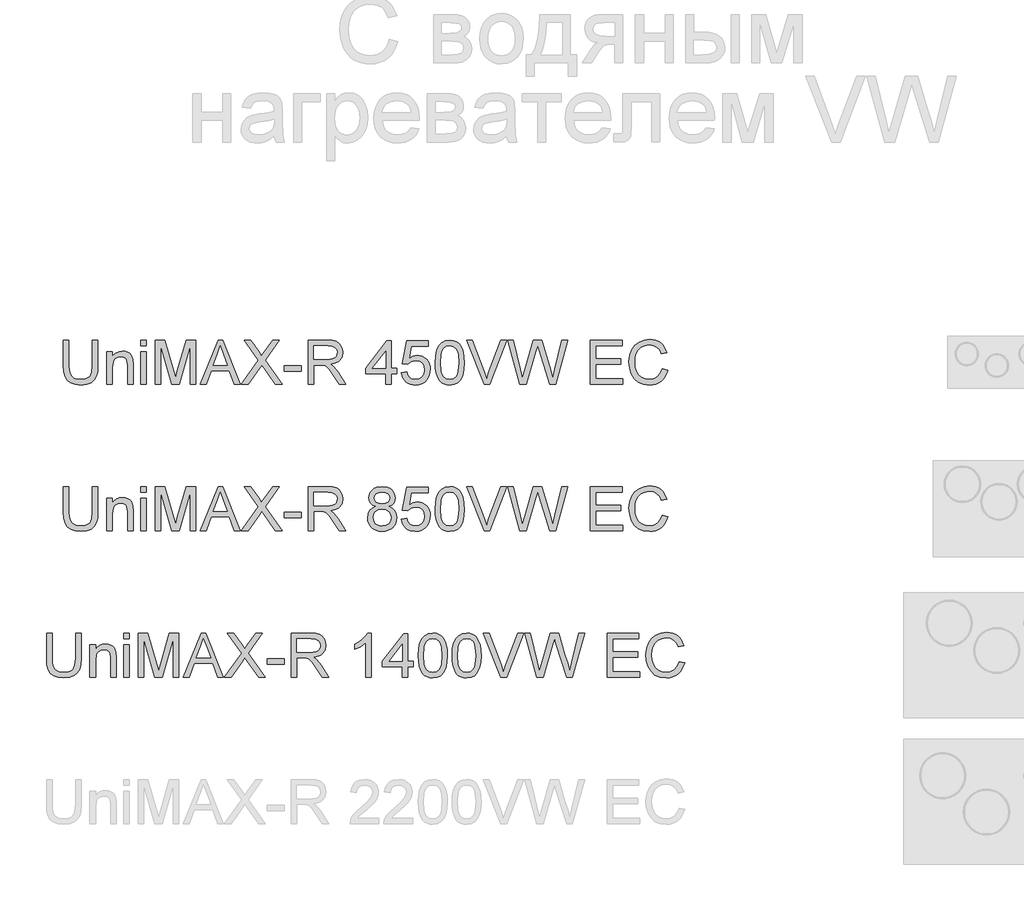
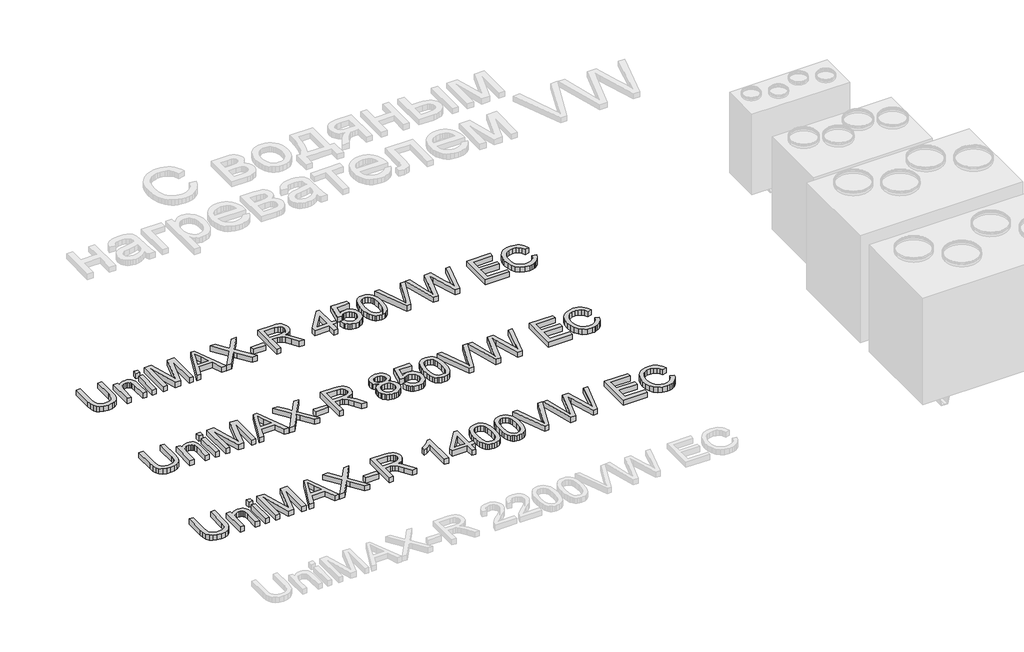
# One storey, part 12 of 74: 3 proxies.
"""IFC4 building model written with IfcOpenShell, lengths in millimetres."""

from ifc_helpers import new_model, si_unit, origin, origin_with_axes, place, context, project, spatial, polyline, outline, extrude, element, save

model = new_model("IFC4")

# Units and contexts
model_context = context("Model", 3, world=origin())
ifc_project = project(units=[si_unit("LENGTHUNIT", "METRE", prefix="MILLI")], contexts=[model_context])

# Site, building, storey
site = spatial("IfcSite", under=ifc_project)
building = spatial("IfcBuilding", under=site)
storey = spatial("IfcBuildingStorey", under=building, Elevation=0.0)

# Proxies
placement = place(None, origin())
element("IfcBuildingElementProxy", 1, Name="Generic Models", at=placement, inside=storey, context=model_context, shape_type="SweptSolid", body=[
    extrude(outline(polyline([(45190.3517423, -34731.9528304), (45228.0228586, -34731.9528304), (45228.0228586, -34905.8138613), (45225.4660787, -34946.5292011), (45217.7957391, -34977.8819441), (45203.4667354, -35002.0701853), (45180.9339632, -35021.2920196), (45150.1422402, -35033.8459926), (45111.0363841, -35038.0306503), (45072.7858537, -35034.3886186), (45042.2056628, -35023.4625233), (45019.2866145, -35005.6294436), (45004.0195117, -34981.2664585), (44995.4386642, -34948.5893403), (44992.5783817, -34905.8138613), (44992.5783817, -34731.9528304), (45030.249498, -34731.9528304), (45030.249498, -34904.4894861), (45032.1073021, -34938.3438267), (45037.6807143, -34961.9158655), (45047.7790751, -34978.2406291), (45063.2117248, -34990.3531438), (45083.3348699, -34997.8579365), (45107.504717, -35000.359534), (45145.8196268, -34995.4115212), (45160.1624261, -34989.2265052), (45171.2954549, -34980.5674827), (45179.6325807, -34968.3905887), (45185.5876705, -34951.6519579), (45190.3517423, -34904.4894861), (45190.3517423, -34731.9528304)])), origin_with_axes(), (0.0, 0.0, 1.0), 50.0),
    extrude(outline(polyline([(45289.2384226, -35033.3217608), (45289.2384226, -34812.0039525), (45326.9095389, -34812.0039525), (45326.9095389, -34842.9060401), (45339.9969409, -34827.3262376), (45355.7146991, -34816.1978072), (45374.0628136, -34809.520749), (45395.0412844, -34807.295063), (45413.6101281, -34809.0884877), (45430.6154733, -34814.4687619), (45444.7973243, -34822.7645009), (45454.895685, -34833.30432), (45466.1896623, -34861.0058343), (45468.176225, -34897.4261518), (45468.176225, -35033.3217608), (45430.5051087, -35033.3217608), (45430.5051087, -34902.5029233), (45426.1641012, -34869.1728146), (45420.1584276, -34859.2491977), (45410.823422, -34851.551267), (45398.8580601, -34846.6124512), (45384.9613177, -34844.9661793), (45362.8975951, -34848.6633933), (45344.0896281, -34859.7550355), (45336.5733391, -34868.8095311), (45331.2045612, -34881.1841617), (45326.9095389, -34915.8938279), (45326.9095389, -35033.3217608), (45289.2384226, -35033.3217608)])), origin_with_axes(), (0.0, 0.0, 1.0), 50.0),
    extrude(outline(polyline([(45519.97401, -35033.3217608), (45519.97401, -34812.0039525), (45557.6451263, -34812.0039525), (45557.6451263, -35033.3217608), (45519.97401, -35033.3217608)])), origin_with_axes(), (0.0, 0.0, 1.0), 50.0),
    extrude(outline(polyline([(45519.97401, -34769.6239467), (45519.97401, -34731.9528304), (45557.6451263, -34731.9528304), (45557.6451263, -34769.6239467), (45519.97401, -34769.6239467)])), origin_with_axes(), (0.0, 0.0, 1.0), 50.0),
    extrude(outline(polyline([(45618.8606903, -35033.3217608), (45618.8606903, -34731.9528304), (45683.6814978, -34731.9528304), (45745.3385202, -34944.3678944), (45757.7729317, -34988.734463), (45771.2374127, -34940.6890744), (45831.8643655, -34731.9528304), (45896.685173, -34731.9528304), (45896.685173, -35033.3217608), (45859.0140567, -35033.3217608), (45859.0140567, -34769.6239467), (45783.3039421, -35033.3217608), (45732.2419212, -35033.3217608), (45656.5318066, -34769.6239467), (45656.5318066, -35033.3217608), (45618.8606903, -35033.3217608)])), origin_with_axes(), (0.0, 0.0, 1.0), 50.0),
    extrude(outline(polyline([(45927.5136842, -35033.3217608), (46047.8110967, -34731.9528304), (46079.8904066, -34731.9528304), (46200.1878191, -35033.3217608), (46160.3829872, -35033.3217608), (46125.875656, -34939.14397), (46001.7522709, -34939.14397), (45967.3185161, -35033.3217608), (45927.5136842, -35033.3217608)]), holes=[polyline([(46015.5846339, -34901.4728537), (46112.1168694, -34901.4728537), (46084.9671782, -34827.3814199), (46063.8507516, -34769.6239467), (46045.0887699, -34820.9066968), (46015.5846339, -34901.4728537)])]), origin_with_axes(), (0.0, 0.0, 1.0), 50.0),
    extrude(outline(polyline([(46207.4718826, -35033.3217608), (46323.6490166, -34869.0992382), (46226.3074407, -34731.9528304), (46271.4833497, -34731.9528304), (46326.297767, -34809.1344729), (46344.7654432, -34839.2272201), (46366.3969045, -34808.6194381), (46420.6227106, -34731.9528304), (46466.4608072, -34731.9528304), (46369.1192312, -34869.5406965), (46485.2963653, -35033.3217608), (46440.1204563, -35033.3217608), (46362.7180845, -34924.1343846), (46346.6048531, -34901.4728537), (46328.872941, -34926.3416766), (46253.3099792, -35033.3217608), (46207.4718826, -35033.3217608)])), origin_with_axes(), (0.0, 0.0, 1.0), 50.0),
    extrude(outline(polyline([(46499.4230339, -34943.8528596), (46499.4230339, -34906.1817433), (46617.1452724, -34906.1817433), (46617.1452724, -34943.8528596), (46499.4230339, -34943.8528596)])), origin_with_axes(), (0.0, 0.0, 1.0), 50.0),
    extrude(outline(polyline([(46664.2341678, -35033.3217608), (46664.2341678, -34731.9528304), (46794.0965121, -34731.9528304), (46828.9993164, -34733.9853784), (46854.3923711, -34740.0830224), (46872.9520177, -34751.3402115), (46887.3545978, -34768.8513945), (46896.597633, -34790.5656292), (46899.6786447, -34814.4319737), (46894.574282, -34844.1200507), (46879.2611939, -34868.7313562), (46867.6614148, -34878.7607391), (46853.279528, -34886.775968), (46816.1694318, -34896.7639642), (46837.5801639, -34912.8771956), (46868.1143695, -34951.6519579), (46918.36705, -35033.3217608), (46874.5890926, -35033.3217608), (46835.3728719, -34970.855398), (46807.0459583, -34929.5054618), (46787.1435424, -34909.9709278), (46769.2276892, -34902.7972289), (46747.3754987, -34901.4728537), (46701.9052841, -34901.4728537), (46701.9052841, -35033.3217608), (46664.2341678, -35033.3217608)]), holes=[polyline([(46701.9052841, -34863.8017374), (46786.2238374, -34863.8017374), (46810.4396697, -34862.4681652), (46829.2292426, -34858.4674485), (46843.3743053, -34851.5328729), (46853.6566071, -34841.3977239), (46859.9197981, -34829.1380564), (46862.0075284, -34815.8299253), (46858.0252058, -34797.4542196), (46846.078238, -34782.6469693), (46825.5228315, -34772.8797023), (46795.7151928, -34769.6239467), (46701.9052841, -34769.6239467), (46701.9052841, -34863.8017374)])]), origin_with_axes(), (0.0, 0.0, 1.0), 50.0),
    extrude(outline(polyline([(47191.6297961, -35033.3217608), (47191.6297961, -34962.6884177), (47055.0719994, -34962.6884177), (47055.0719994, -34925.0173014), (47201.0475751, -34736.6617199), (47229.3009124, -34736.6617199), (47229.3009124, -34925.0173014), (47266.9720287, -34925.0173014), (47266.9720287, -34962.6884177), (47229.3009124, -34962.6884177), (47229.3009124, -35033.3217608), (47191.6297961, -35033.3217608)]), holes=[polyline([(47191.6297961, -34925.0173014), (47191.6297961, -34808.6194381), (47101.4251308, -34925.0173014), (47191.6297961, -34925.0173014)])]), origin_with_axes(), (0.0, 0.0, 1.0), 50.0),
    extrude(outline(polyline([(47299.9342554, -34953.2706387), (47337.6053717, -34948.5617491), (47344.5215532, -34971.1772948), (47356.5880827, -34987.3732996), (47373.7497778, -34997.1129754), (47395.9514562, -35000.359534), (47422.9539946, -34995.8437825), (47443.1875044, -34982.2965281), (47455.8242509, -34961.2812691), (47460.0364997, -34934.3615041), (47456.0909653, -34909.0144346), (47444.2543621, -34889.6270535), (47424.4347197, -34877.3214007), (47396.5400674, -34873.2195165), (47378.2655293, -34874.8565914), (47363.467476, -34879.767816), (47342.3142613, -34896.7639642), (47304.643145, -34892.0550747), (47337.6053717, -34736.6617199), (47483.5809474, -34736.6617199), (47483.5809474, -34774.3328362), (47368.0660009, -34774.3328362), (47351.9527696, -34857.3270143), (47378.8633375, -34840.9930537), (47407.0614924, -34835.5484002), (47425.4073077, -34837.2360588), (47442.2586023, -34842.2990348), (47457.6153764, -34850.7373281), (47471.4776298, -34862.5509386), (47482.9532488, -34877.0178981), (47491.1501195, -34893.416238), (47496.0682419, -34911.7459584), (47497.707616, -34932.0070593), (47491.80311, -34969.6781756), (47484.4224775, -34986.4719887), (47474.089592, -35001.9046384), (47458.4362131, -35017.7097686), (47440.170872, -35028.9991474), (47419.2935688, -35035.7727746), (47395.8043034, -35038.0306503), (47358.8045717, -35032.2273119), (47343.1259009, -35024.9731388), (47329.3280268, -35014.8172964), (47317.8478093, -35002.2656226), (47309.1221083, -34987.823955), (47299.9342554, -34953.2706387)])), origin_with_axes(), (0.0, 0.0, 1.0), 50.0),
    extrude(outline(polyline([(47530.6698428, -34885.0653167), (47533.4381548, -34836.8267901), (47541.7430909, -34798.3555305), (47555.5018775, -34769.0629266), (47574.6317412, -34748.3603673), (47599.2706379, -34736.0547146), (47629.5565231, -34731.9528304), (47652.769877, -34734.3808515), (47673.5552097, -34741.664915), (47690.937634, -34753.5199123), (47703.9422625, -34769.6607349), (47713.7647118, -34789.9494269), (47721.6005983, -34814.2480327), (47726.7325521, -34845.104135), (47728.4432034, -34885.0653167), (47725.7024826, -34933.0279319), (47717.48032, -34971.407221), (47703.8043068, -35000.727416), (47684.7020342, -35021.5127488), (47660.0079553, -35033.9011749), (47629.5565231, -35038.0306503), (47608.8079786, -35036.2372256), (47590.4138788, -35030.8569514), (47574.3742238, -35021.8898278), (47560.6890136, -35009.3358547), (47547.5556264, -34986.6421341), (47538.1746355, -34958.3658043), (47532.546041, -34924.5068652), (47530.6698428, -34885.0653167)]), holes=[polyline([(47568.3409591, -34884.9917403), (47572.7555431, -34944.2483327), (47578.273773, -34964.5163314), (47585.9992949, -34978.5441317), (47605.7177698, -34994.9056835), (47629.5565231, -35000.359534), (47653.3952764, -34994.8872894), (47673.1137513, -34978.4705553), (47680.8392732, -34964.4197624), (47686.3575032, -34944.1563622), (47690.7720871, -34884.9917403), (47686.504656, -34827.0687202), (47681.170367, -34806.8674001), (47673.7023625, -34792.5062068), (47654.0206758, -34775.3445117), (47629.1150647, -34769.6239467), (47605.5338288, -34774.66393), (47586.5879061, -34789.78388), (47578.6048668, -34805.4188648), (47572.9026959, -34826.4985031), (47568.3409591, -34884.9917403)])]), origin_with_axes(), (0.0, 0.0, 1.0), 50.0),
    extrude(outline(polyline([(47864.5595416, -35033.3217608), (47744.6300112, -34731.9528304), (47784.9498779, -34731.9528304), (47865.2217292, -34949.0767839), (47881.4821134, -34998.0050893), (47897.5217684, -34949.0767839), (47978.0143489, -34731.9528304), (48018.3342156, -34731.9528304), (47903.4814567, -35033.3217608), (47864.5595416, -35033.3217608)])), origin_with_axes(), (0.0, 0.0, 1.0), 50.0),
    extrude(outline(polyline([(48107.288082, -35033.3217608), (48025.1032443, -34731.9528304), (48063.951583, -34731.9528304), (48111.6290896, -34930.0204966), (48126.3443694, -34991.1624842), (48142.0897188, -34937.0838309), (48201.8337548, -34731.9528304), (48257.8253945, -34731.9528304), (48301.2354699, -34880.6507328), (48319.8319048, -34935.8330321), (48333.5355091, -34991.1624842), (48347.8093305, -34931.7863301), (48395.9282955, -34731.9528304), (48434.7766342, -34731.9528304), (48352.51822, -35033.3217608), (48312.2719298, -35033.3217608), (48240.0199059, -34800.8203398), (48229.9399392, -34768.3731479), (48218.6091738, -34807.4422158), (48152.7582967, -35033.3217608), (48107.288082, -35033.3217608)])), origin_with_axes(), (0.0, 0.0, 1.0), 50.0),
    extrude(outline(polyline([(48590.1699889, -35033.3217608), (48590.1699889, -34731.9528304), (48806.7789077, -34731.9528304), (48806.7789077, -34769.6239467), (48627.8411052, -34769.6239467), (48627.8411052, -34859.0928479), (48797.3611286, -34859.0928479), (48797.3611286, -34896.7639642), (48627.8411052, -34896.7639642), (48627.8411052, -34995.6506445), (48811.4877972, -34995.6506445), (48811.4877972, -35033.3217608), (48590.1699889, -35033.3217608)])), origin_with_axes(), (0.0, 0.0, 1.0), 50.0),
    extrude(outline(polyline([(49079.8945009, -34926.1945238), (49117.5656172, -34935.9066085), (49110.1114083, -34959.3337938), (49100.1831929, -34979.8041276), (49087.7809712, -34997.3176098), (49072.904743, -35011.8742405), (49055.8902007, -35023.3176698), (49037.0730367, -35031.4915479), (49016.4532508, -35036.3958747), (48994.0308432, -35038.0306503), (48950.3356592, -35033.0826375), (48915.6351901, -35018.238599), (48889.0373218, -34994.0135696), (48869.6499407, -34960.9225842), (48857.8133375, -34922.0190632), (48853.8678031, -34880.3564272), (48858.3283723, -34836.4129229), (48871.7100798, -34798.4658951), (48893.31395, -34767.7201573), (48922.441007, -34745.3805232), (48956.9851263, -34731.7780864), (48994.8401836, -34727.2439408), (49036.1441346, -34733.1116586), (49054.1128708, -34740.4463059), (49070.2927808, -34750.7148121), (49084.4171502, -34763.6458642), (49096.2192644, -34778.9681493), (49112.8567277, -34816.7864184), (49075.1856114, -34825.7627391), (49062.1258005, -34798.2911511), (49044.2835238, -34779.4463959), (49021.4380519, -34768.5478918), (48993.3686556, -34764.9150571), (48961.0134342, -34768.943365), (48934.43396, -34781.0282885), (48914.2648296, -34799.9006349), (48901.1406394, -34824.2912111), (48893.9393494, -34851.8639667), (48891.5389194, -34880.2828508), (48894.3808078, -34915.0844876), (48902.906473, -34945.1772348), (48917.4378118, -34969.4114612), (48938.296721, -34986.6375356), (48963.3034996, -34996.9290344), (48990.2784469, -35000.359534), (49021.7231604, -34995.6874327), (49047.9255555, -34981.6711287), (49067.7084098, -34958.4577748), (49079.8945009, -34926.1945238)])), origin_with_axes(), (0.0, 0.0, 1.0), 50.0),
])
element("IfcBuildingElementProxy", 2, Name="Generic Models", at=placement, inside=storey, context=model_context, shape_type="SweptSolid", body=[
    extrude(outline(polyline([(45190.3517423, -35731.9528304), (45228.0228586, -35731.9528304), (45228.0228586, -35905.8138613), (45225.4660787, -35946.5292011), (45217.7957391, -35977.8819441), (45203.4667354, -36002.0701853), (45180.9339632, -36021.2920196), (45150.1422402, -36033.8459926), (45111.0363841, -36038.0306503), (45072.7858537, -36034.3886186), (45042.2056628, -36023.4625233), (45019.2866145, -36005.6294436), (45004.0195117, -35981.2664585), (44995.4386642, -35948.5893403), (44992.5783817, -35905.8138613), (44992.5783817, -35731.9528304), (45030.249498, -35731.9528304), (45030.249498, -35904.4894861), (45032.1073021, -35938.3438267), (45037.6807143, -35961.9158655), (45047.7790751, -35978.2406291), (45063.2117248, -35990.3531438), (45083.3348699, -35997.8579365), (45107.504717, -36000.359534), (45145.8196268, -35995.4115212), (45160.1624261, -35989.2265052), (45171.2954549, -35980.5674827), (45179.6325807, -35968.3905887), (45185.5876705, -35951.6519579), (45190.3517423, -35904.4894861), (45190.3517423, -35731.9528304)])), origin_with_axes(), (0.0, 0.0, 1.0), 50.0),
    extrude(outline(polyline([(45289.2384226, -36033.3217608), (45289.2384226, -35812.0039525), (45326.9095389, -35812.0039525), (45326.9095389, -35842.9060401), (45339.9969409, -35827.3262376), (45355.7146991, -35816.1978072), (45374.0628136, -35809.520749), (45395.0412844, -35807.295063), (45413.6101281, -35809.0884877), (45430.6154733, -35814.4687619), (45444.7973243, -35822.7645009), (45454.895685, -35833.30432), (45466.1896623, -35861.0058343), (45468.176225, -35897.4261518), (45468.176225, -36033.3217608), (45430.5051087, -36033.3217608), (45430.5051087, -35902.5029233), (45426.1641012, -35869.1728146), (45420.1584276, -35859.2491977), (45410.823422, -35851.551267), (45398.8580601, -35846.6124512), (45384.9613177, -35844.9661793), (45362.8975951, -35848.6633933), (45344.0896281, -35859.7550355), (45336.5733391, -35868.8095311), (45331.2045612, -35881.1841617), (45326.9095389, -35915.8938279), (45326.9095389, -36033.3217608), (45289.2384226, -36033.3217608)])), origin_with_axes(), (0.0, 0.0, 1.0), 50.0),
    extrude(outline(polyline([(45519.97401, -36033.3217608), (45519.97401, -35812.0039525), (45557.6451263, -35812.0039525), (45557.6451263, -36033.3217608), (45519.97401, -36033.3217608)])), origin_with_axes(), (0.0, 0.0, 1.0), 50.0),
    extrude(outline(polyline([(45519.97401, -35769.6239467), (45519.97401, -35731.9528304), (45557.6451263, -35731.9528304), (45557.6451263, -35769.6239467), (45519.97401, -35769.6239467)])), origin_with_axes(), (0.0, 0.0, 1.0), 50.0),
    extrude(outline(polyline([(45618.8606903, -36033.3217608), (45618.8606903, -35731.9528304), (45683.6814978, -35731.9528304), (45745.3385202, -35944.3678944), (45757.7729317, -35988.734463), (45771.2374127, -35940.6890744), (45831.8643655, -35731.9528304), (45896.685173, -35731.9528304), (45896.685173, -36033.3217608), (45859.0140567, -36033.3217608), (45859.0140567, -35769.6239467), (45783.3039421, -36033.3217608), (45732.2419212, -36033.3217608), (45656.5318066, -35769.6239467), (45656.5318066, -36033.3217608), (45618.8606903, -36033.3217608)])), origin_with_axes(), (0.0, 0.0, 1.0), 50.0),
    extrude(outline(polyline([(45927.5136842, -36033.3217608), (46047.8110967, -35731.9528304), (46079.8904066, -35731.9528304), (46200.1878191, -36033.3217608), (46160.3829872, -36033.3217608), (46125.875656, -35939.14397), (46001.7522709, -35939.14397), (45967.3185161, -36033.3217608), (45927.5136842, -36033.3217608)]), holes=[polyline([(46015.5846339, -35901.4728537), (46112.1168694, -35901.4728537), (46084.9671782, -35827.3814199), (46063.8507516, -35769.6239467), (46045.0887699, -35820.9066968), (46015.5846339, -35901.4728537)])]), origin_with_axes(), (0.0, 0.0, 1.0), 50.0),
    extrude(outline(polyline([(46207.4718826, -36033.3217608), (46323.6490166, -35869.0992382), (46226.3074407, -35731.9528304), (46271.4833497, -35731.9528304), (46326.297767, -35809.1344729), (46344.7654432, -35839.2272201), (46366.3969045, -35808.6194381), (46420.6227106, -35731.9528304), (46466.4608072, -35731.9528304), (46369.1192312, -35869.5406965), (46485.2963653, -36033.3217608), (46440.1204563, -36033.3217608), (46362.7180845, -35924.1343846), (46346.6048531, -35901.4728537), (46328.872941, -35926.3416766), (46253.3099792, -36033.3217608), (46207.4718826, -36033.3217608)])), origin_with_axes(), (0.0, 0.0, 1.0), 50.0),
    extrude(outline(polyline([(46499.4230339, -35943.8528596), (46499.4230339, -35906.1817433), (46617.1452724, -35906.1817433), (46617.1452724, -35943.8528596), (46499.4230339, -35943.8528596)])), origin_with_axes(), (0.0, 0.0, 1.0), 50.0),
    extrude(outline(polyline([(46664.2341678, -36033.3217608), (46664.2341678, -35731.9528304), (46794.0965121, -35731.9528304), (46828.9993164, -35733.9853784), (46854.3923711, -35740.0830224), (46872.9520177, -35751.3402115), (46887.3545978, -35768.8513945), (46896.597633, -35790.5656292), (46899.6786447, -35814.4319737), (46894.574282, -35844.1200507), (46879.2611939, -35868.7313562), (46867.6614148, -35878.7607391), (46853.279528, -35886.775968), (46816.1694318, -35896.7639642), (46837.5801639, -35912.8771956), (46868.1143695, -35951.6519579), (46918.36705, -36033.3217608), (46874.5890926, -36033.3217608), (46835.3728719, -35970.855398), (46807.0459583, -35929.5054618), (46787.1435424, -35909.9709278), (46769.2276892, -35902.7972289), (46747.3754987, -35901.4728537), (46701.9052841, -35901.4728537), (46701.9052841, -36033.3217608), (46664.2341678, -36033.3217608)]), holes=[polyline([(46701.9052841, -35863.8017374), (46786.2238374, -35863.8017374), (46810.4396697, -35862.4681652), (46829.2292426, -35858.4674485), (46843.3743053, -35851.5328729), (46853.6566071, -35841.3977239), (46859.9197981, -35829.1380564), (46862.0075284, -35815.8299253), (46858.0252058, -35797.4542196), (46846.078238, -35782.6469693), (46825.5228315, -35772.8797023), (46795.7151928, -35769.6239467), (46701.9052841, -35769.6239467), (46701.9052841, -35863.8017374)])]), origin_with_axes(), (0.0, 0.0, 1.0), 50.0),
    extrude(outline(polyline([(47124.0866617, -35867.3334046), (47103.9175314, -35857.4005907), (47089.7632716, -35843.9361097), (47081.4031532, -35827.215873), (47078.6164471, -35807.5157922), (47080.1339604, -35792.1521203), (47084.6865001, -35778.0668384), (47092.2740662, -35765.2599465), (47102.8966588, -35753.7314445), (47116.0438416, -35744.2033008), (47131.2051783, -35737.3974839), (47167.5703136, -35731.9528304), (47204.156178, -35737.5262426), (47219.4830616, -35744.4930079), (47232.8325795, -35754.2464793), (47243.6483102, -35766.000309), (47251.3738321, -35778.9681493), (47256.0091452, -35793.1500003), (47257.5542496, -35808.5458617), (47254.8043317, -35827.6113461), (47246.5545779, -35844.0464743), (47232.7130179, -35857.4281819), (47213.187681, -35867.3334046), (47236.3734437, -35879.2803724), (47253.2500302, -35896.8743288), (47263.5415291, -35919.2691452), (47266.9720287, -35945.6186932), (47265.2705744, -35964.4082661), (47260.1662118, -35981.6343405), (47251.6589406, -35997.2969164), (47239.748761, -36011.3959939), (47225.0610724, -36023.0486561), (47208.221274, -36031.3719862), (47189.229366, -36036.3659843), (47168.0853484, -36038.0306503), (47146.9413307, -36036.3590865), (47127.9494227, -36031.3443951), (47111.1096244, -36022.986576), (47096.4219357, -36011.2856293), (47084.5117561, -35997.0876835), (47076.004485, -35981.2388673), (47070.9001223, -35963.7391807), (47069.1986681, -35944.5886236), (47072.7671234, -35917.2182031), (47083.4724895, -35894.703825), (47100.7629432, -35877.8180414), (47124.0866617, -35867.3334046)]), holes=[polyline([(47106.8697844, -35943.2642484), (47113.1605665, -35971.6279502), (47121.8701727, -35983.7956472), (47135.4174272, -35992.8547413), (47151.6410232, -35998.4833359), (47168.379654, -36000.359534), (47194.021029, -35996.4139996), (47213.2612574, -35984.5773964), (47225.2909986, -35966.6523462), (47229.3009124, -35944.4414708), (47225.1622399, -35921.8535163), (47212.7462226, -35903.5329929), (47193.0645358, -35891.3928871), (47167.1288552, -35887.3461851), (47141.8461651, -35891.3377048), (47122.7990748, -35903.3122637), (47110.852107, -35921.2832992), (47106.8697844, -35943.2642484)]), polyline([(47116.2875634, -35808.6194381), (47119.6260925, -35825.0637633), (47129.6416799, -35838.1971506), (47146.0400198, -35846.8055892), (47168.5268068, -35849.6750688), (47190.4893619, -35846.8239833), (47206.6393815, -35838.270727), (47216.5721953, -35825.5787981), (47219.8831333, -35810.3116953), (47216.4618307, -35794.4651784), (47206.1979231, -35781.3593823), (47189.8271743, -35772.5578056), (47168.0853484, -35769.6239467), (47146.2055667, -35772.4934262), (47129.8624091, -35781.1018649), (47119.6812748, -35793.7202173), (47116.2875634, -35808.6194381)])]), origin_with_axes(), (0.0, 0.0, 1.0), 50.0),
    extrude(outline(polyline([(47299.9342554, -35953.2706387), (47337.6053717, -35948.5617491), (47344.5215532, -35971.1772948), (47356.5880827, -35987.3732996), (47373.7497778, -35997.1129754), (47395.9514562, -36000.359534), (47422.9539946, -35995.8437825), (47443.1875044, -35982.2965281), (47455.8242509, -35961.2812691), (47460.0364997, -35934.3615041), (47456.0909653, -35909.0144346), (47444.2543621, -35889.6270535), (47424.4347197, -35877.3214007), (47396.5400674, -35873.2195165), (47378.2655293, -35874.8565914), (47363.467476, -35879.767816), (47342.3142613, -35896.7639642), (47304.643145, -35892.0550747), (47337.6053717, -35736.6617199), (47483.5809474, -35736.6617199), (47483.5809474, -35774.3328362), (47368.0660009, -35774.3328362), (47351.9527696, -35857.3270143), (47378.8633375, -35840.9930537), (47407.0614924, -35835.5484002), (47425.4073077, -35837.2360588), (47442.2586023, -35842.2990348), (47457.6153764, -35850.7373281), (47471.4776298, -35862.5509386), (47482.9532488, -35877.0178981), (47491.1501195, -35893.416238), (47496.0682419, -35911.7459584), (47497.707616, -35932.0070593), (47491.80311, -35969.6781756), (47484.4224775, -35986.4719887), (47474.089592, -36001.9046384), (47458.4362131, -36017.7097686), (47440.170872, -36028.9991474), (47419.2935688, -36035.7727746), (47395.8043034, -36038.0306503), (47358.8045717, -36032.2273119), (47343.1259009, -36024.9731388), (47329.3280268, -36014.8172964), (47317.8478093, -36002.2656226), (47309.1221083, -35987.823955), (47299.9342554, -35953.2706387)])), origin_with_axes(), (0.0, 0.0, 1.0), 50.0),
    extrude(outline(polyline([(47530.6698428, -35885.0653167), (47533.4381548, -35836.8267901), (47541.7430909, -35798.3555305), (47555.5018775, -35769.0629266), (47574.6317412, -35748.3603673), (47599.2706379, -35736.0547146), (47629.5565231, -35731.9528304), (47652.769877, -35734.3808515), (47673.5552097, -35741.664915), (47690.937634, -35753.5199123), (47703.9422625, -35769.6607349), (47713.7647118, -35789.9494269), (47721.6005983, -35814.2480327), (47726.7325521, -35845.104135), (47728.4432034, -35885.0653167), (47725.7024826, -35933.0279319), (47717.48032, -35971.407221), (47703.8043068, -36000.727416), (47684.7020342, -36021.5127488), (47660.0079553, -36033.9011749), (47629.5565231, -36038.0306503), (47608.8079786, -36036.2372256), (47590.4138788, -36030.8569514), (47574.3742238, -36021.8898278), (47560.6890136, -36009.3358547), (47547.5556264, -35986.6421341), (47538.1746355, -35958.3658043), (47532.546041, -35924.5068652), (47530.6698428, -35885.0653167)]), holes=[polyline([(47568.3409591, -35884.9917403), (47572.7555431, -35944.2483327), (47578.273773, -35964.5163314), (47585.9992949, -35978.5441317), (47605.7177698, -35994.9056835), (47629.5565231, -36000.359534), (47653.3952764, -35994.8872894), (47673.1137513, -35978.4705553), (47680.8392732, -35964.4197624), (47686.3575032, -35944.1563622), (47690.7720871, -35884.9917403), (47686.504656, -35827.0687202), (47681.170367, -35806.8674001), (47673.7023625, -35792.5062068), (47654.0206758, -35775.3445117), (47629.1150647, -35769.6239467), (47605.5338288, -35774.66393), (47586.5879061, -35789.78388), (47578.6048668, -35805.4188648), (47572.9026959, -35826.4985031), (47568.3409591, -35884.9917403)])]), origin_with_axes(), (0.0, 0.0, 1.0), 50.0),
    extrude(outline(polyline([(47864.5595416, -36033.3217608), (47744.6300112, -35731.9528304), (47784.9498779, -35731.9528304), (47865.2217292, -35949.0767839), (47881.4821134, -35998.0050893), (47897.5217684, -35949.0767839), (47978.0143489, -35731.9528304), (48018.3342156, -35731.9528304), (47903.4814567, -36033.3217608), (47864.5595416, -36033.3217608)])), origin_with_axes(), (0.0, 0.0, 1.0), 50.0),
    extrude(outline(polyline([(48107.288082, -36033.3217608), (48025.1032443, -35731.9528304), (48063.951583, -35731.9528304), (48111.6290896, -35930.0204966), (48126.3443694, -35991.1624842), (48142.0897188, -35937.0838309), (48201.8337548, -35731.9528304), (48257.8253945, -35731.9528304), (48301.2354699, -35880.6507328), (48319.8319048, -35935.8330321), (48333.5355091, -35991.1624842), (48347.8093305, -35931.7863301), (48395.9282955, -35731.9528304), (48434.7766342, -35731.9528304), (48352.51822, -36033.3217608), (48312.2719298, -36033.3217608), (48240.0199059, -35800.8203398), (48229.9399392, -35768.3731479), (48218.6091738, -35807.4422158), (48152.7582967, -36033.3217608), (48107.288082, -36033.3217608)])), origin_with_axes(), (0.0, 0.0, 1.0), 50.0),
    extrude(outline(polyline([(48590.1699889, -36033.3217608), (48590.1699889, -35731.9528304), (48806.7789077, -35731.9528304), (48806.7789077, -35769.6239467), (48627.8411052, -35769.6239467), (48627.8411052, -35859.0928479), (48797.3611286, -35859.0928479), (48797.3611286, -35896.7639642), (48627.8411052, -35896.7639642), (48627.8411052, -35995.6506445), (48811.4877972, -35995.6506445), (48811.4877972, -36033.3217608), (48590.1699889, -36033.3217608)])), origin_with_axes(), (0.0, 0.0, 1.0), 50.0),
    extrude(outline(polyline([(49079.8945009, -35926.1945238), (49117.5656172, -35935.9066085), (49110.1114083, -35959.3337938), (49100.1831929, -35979.8041276), (49087.7809712, -35997.3176098), (49072.904743, -36011.8742405), (49055.8902007, -36023.3176698), (49037.0730367, -36031.4915479), (49016.4532508, -36036.3958747), (48994.0308432, -36038.0306503), (48950.3356592, -36033.0826375), (48915.6351901, -36018.238599), (48889.0373218, -35994.0135696), (48869.6499407, -35960.9225842), (48857.8133375, -35922.0190632), (48853.8678031, -35880.3564272), (48858.3283723, -35836.4129229), (48871.7100798, -35798.4658951), (48893.31395, -35767.7201573), (48922.441007, -35745.3805232), (48956.9851263, -35731.7780864), (48994.8401836, -35727.2439408), (49036.1441346, -35733.1116586), (49054.1128708, -35740.4463059), (49070.2927808, -35750.7148121), (49084.4171502, -35763.6458642), (49096.2192644, -35778.9681493), (49112.8567277, -35816.7864184), (49075.1856114, -35825.7627391), (49062.1258005, -35798.2911511), (49044.2835238, -35779.4463959), (49021.4380519, -35768.5478918), (48993.3686556, -35764.9150571), (48961.0134342, -35768.943365), (48934.43396, -35781.0282885), (48914.2648296, -35799.9006349), (48901.1406394, -35824.2912111), (48893.9393494, -35851.8639667), (48891.5389194, -35880.2828508), (48894.3808078, -35915.0844876), (48902.906473, -35945.1772348), (48917.4378118, -35969.4114612), (48938.296721, -35986.6375356), (48963.3034996, -35996.9290344), (48990.2784469, -36000.359534), (49021.7231604, -35995.6874327), (49047.9255555, -35981.6711287), (49067.7084098, -35958.4577748), (49079.8945009, -35926.1945238)])), origin_with_axes(), (0.0, 0.0, 1.0), 50.0),
])
element("IfcBuildingElementProxy", 3, Name="Generic Models", at=placement, inside=storey, context=model_context, shape_type="SweptSolid", body=[
    extrude(outline(polyline([(45074.9839486, -36731.9528304), (45112.6550649, -36731.9528304), (45112.6550649, -36905.8138613), (45110.098285, -36946.5292011), (45102.4279454, -36977.8819441), (45088.0989417, -37002.0701853), (45065.5661695, -37021.2920196), (45034.7744465, -37033.8459926), (44995.6685904, -37038.0306503), (44957.41806, -37034.3886186), (44926.8378691, -37023.4625233), (44903.9188208, -37005.6294436), (44888.651718, -36981.2664585), (44880.0708705, -36948.5893403), (44877.210588, -36905.8138613), (44877.210588, -36731.9528304), (44914.8817043, -36731.9528304), (44914.8817043, -36904.4894861), (44916.7395084, -36938.3438267), (44922.3129206, -36961.9158655), (44932.4112814, -36978.2406291), (44947.8439311, -36990.3531438), (44967.9670762, -36997.8579365), (44992.1369233, -37000.359534), (45030.4518331, -36995.4115212), (45044.7946324, -36989.2265052), (45055.9276613, -36980.5674827), (45064.264787, -36968.3905887), (45070.2198768, -36951.6519579), (45074.9839486, -36904.4894861), (45074.9839486, -36731.9528304)])), origin_with_axes(), (0.0, 0.0, 1.0), 50.0),
    extrude(outline(polyline([(45173.8706289, -37033.3217608), (45173.8706289, -36812.0039525), (45211.5417452, -36812.0039525), (45211.5417452, -36842.9060401), (45224.6291472, -36827.3262376), (45240.3469054, -36816.1978072), (45258.6950199, -36809.520749), (45279.6734907, -36807.295063), (45298.2423344, -36809.0884877), (45315.2476797, -36814.4687619), (45329.4295306, -36822.7645009), (45339.5278913, -36833.30432), (45350.8218686, -36861.0058343), (45352.8084314, -36897.4261518), (45352.8084314, -37033.3217608), (45315.1373151, -37033.3217608), (45315.1373151, -36902.5029233), (45310.7963075, -36869.1728146), (45304.7906339, -36859.2491977), (45295.4556283, -36851.551267), (45283.4902664, -36846.6124512), (45269.5935241, -36844.9661793), (45247.5298014, -36848.6633933), (45228.7218344, -36859.7550355), (45221.2055454, -36868.8095311), (45215.8367675, -36881.1841617), (45211.5417452, -36915.8938279), (45211.5417452, -37033.3217608), (45173.8706289, -37033.3217608)])), origin_with_axes(), (0.0, 0.0, 1.0), 50.0),
    extrude(outline(polyline([(45404.6062163, -37033.3217608), (45404.6062163, -36812.0039525), (45442.2773326, -36812.0039525), (45442.2773326, -37033.3217608), (45404.6062163, -37033.3217608)])), origin_with_axes(), (0.0, 0.0, 1.0), 50.0),
    extrude(outline(polyline([(45404.6062163, -36769.6239467), (45404.6062163, -36731.9528304), (45442.2773326, -36731.9528304), (45442.2773326, -36769.6239467), (45404.6062163, -36769.6239467)])), origin_with_axes(), (0.0, 0.0, 1.0), 50.0),
    extrude(outline(polyline([(45503.4928966, -37033.3217608), (45503.4928966, -36731.9528304), (45568.3137041, -36731.9528304), (45629.9707265, -36944.3678944), (45642.405138, -36988.734463), (45655.869619, -36940.6890744), (45716.4965718, -36731.9528304), (45781.3173793, -36731.9528304), (45781.3173793, -37033.3217608), (45743.646263, -37033.3217608), (45743.646263, -36769.6239467), (45667.9361484, -37033.3217608), (45616.8741275, -37033.3217608), (45541.1640129, -36769.6239467), (45541.1640129, -37033.3217608), (45503.4928966, -37033.3217608)])), origin_with_axes(), (0.0, 0.0, 1.0), 50.0),
    extrude(outline(polyline([(45812.1458905, -37033.3217608), (45932.443303, -36731.9528304), (45964.5226129, -36731.9528304), (46084.8200254, -37033.3217608), (46045.0151935, -37033.3217608), (46010.5078623, -36939.14397), (45886.3844772, -36939.14397), (45851.9507224, -37033.3217608), (45812.1458905, -37033.3217608)]), holes=[polyline([(45900.2168402, -36901.4728537), (45996.7490757, -36901.4728537), (45969.5993845, -36827.3814199), (45948.482958, -36769.6239467), (45929.7209762, -36820.9066968), (45900.2168402, -36901.4728537)])]), origin_with_axes(), (0.0, 0.0, 1.0), 50.0),
    extrude(outline(polyline([(46092.1040889, -37033.3217608), (46208.2812229, -36869.0992382), (46110.939647, -36731.9528304), (46156.115556, -36731.9528304), (46210.9299733, -36809.1344729), (46229.3976495, -36839.2272201), (46251.0291108, -36808.6194381), (46305.2549169, -36731.9528304), (46351.0930135, -36731.9528304), (46253.7514376, -36869.5406965), (46369.9285716, -37033.3217608), (46324.7526626, -37033.3217608), (46247.3502908, -36924.1343846), (46231.2370594, -36901.4728537), (46213.5051473, -36926.3416766), (46137.9421855, -37033.3217608), (46092.1040889, -37033.3217608)])), origin_with_axes(), (0.0, 0.0, 1.0), 50.0),
    extrude(outline(polyline([(46384.0552402, -36943.8528596), (46384.0552402, -36906.1817433), (46501.7774787, -36906.1817433), (46501.7774787, -36943.8528596), (46384.0552402, -36943.8528596)])), origin_with_axes(), (0.0, 0.0, 1.0), 50.0),
    extrude(outline(polyline([(46548.8663741, -37033.3217608), (46548.8663741, -36731.9528304), (46678.7287184, -36731.9528304), (46713.6315227, -36733.9853784), (46739.0245774, -36740.0830224), (46757.584224, -36751.3402115), (46771.9868042, -36768.8513945), (46781.2298393, -36790.5656292), (46784.310851, -36814.4319737), (46779.2064883, -36844.1200507), (46763.8934003, -36868.7313562), (46752.2936211, -36878.7607391), (46737.9117344, -36886.775968), (46700.8016381, -36896.7639642), (46722.2123702, -36912.8771956), (46752.7465758, -36951.6519579), (46802.9992563, -37033.3217608), (46759.2212989, -37033.3217608), (46720.0050782, -36970.855398), (46691.6781646, -36929.5054618), (46671.7757487, -36909.9709278), (46653.8598955, -36902.7972289), (46632.007705, -36901.4728537), (46586.5374904, -36901.4728537), (46586.5374904, -37033.3217608), (46548.8663741, -37033.3217608)]), holes=[polyline([(46586.5374904, -36863.8017374), (46670.8560437, -36863.8017374), (46695.071876, -36862.4681652), (46713.8614489, -36858.4674485), (46728.0065116, -36851.5328729), (46738.2888134, -36841.3977239), (46744.5520044, -36829.1380564), (46746.6397347, -36815.8299253), (46742.6574121, -36797.4542196), (46730.7104443, -36782.6469693), (46710.1550378, -36772.8797023), (46680.3473992, -36769.6239467), (46586.5374904, -36769.6239467), (46586.5374904, -36863.8017374)])]), origin_with_axes(), (0.0, 0.0, 1.0), 50.0),
    extrude(outline(polyline([(47095.0975605, -37033.3217608), (47057.4264442, -37033.3217608), (47057.4264442, -36798.4658951), (47021.7418907, -36823.8865409), (46982.0842116, -36842.9060401), (46982.0842116, -36807.295063), (47011.6711211, -36791.2002257), (47037.3032991, -36772.0519678), (47057.5092177, -36751.6896994), (47070.8173488, -36731.9528304), (47095.0975605, -36731.9528304), (47095.0975605, -37033.3217608)])), origin_with_axes(), (0.0, 0.0, 1.0), 50.0),
    extrude(outline(polyline([(47306.9975897, -37033.3217608), (47306.9975897, -36962.6884177), (47170.4397931, -36962.6884177), (47170.4397931, -36925.0173014), (47316.4153688, -36736.6617199), (47344.668706, -36736.6617199), (47344.668706, -36925.0173014), (47382.3398224, -36925.0173014), (47382.3398224, -36962.6884177), (47344.668706, -36962.6884177), (47344.668706, -37033.3217608), (47306.9975897, -37033.3217608)]), holes=[polyline([(47306.9975897, -36925.0173014), (47306.9975897, -36808.6194381), (47216.7929245, -36925.0173014), (47306.9975897, -36925.0173014)])]), origin_with_axes(), (0.0, 0.0, 1.0), 50.0),
    extrude(outline(polyline([(47415.3020491, -36885.0653167), (47418.0703611, -36836.8267901), (47426.3752972, -36798.3555305), (47440.1340838, -36769.0629266), (47459.2639475, -36748.3603673), (47483.9028442, -36736.0547146), (47514.1887294, -36731.9528304), (47537.4020833, -36734.3808515), (47558.187416, -36741.664915), (47575.5698403, -36753.5199123), (47588.5744688, -36769.6607349), (47598.3969181, -36789.9494269), (47606.2328046, -36814.2480327), (47611.3647585, -36845.104135), (47613.0754097, -36885.0653167), (47610.3346889, -36933.0279319), (47602.1125263, -36971.407221), (47588.4365131, -37000.727416), (47569.3342405, -37021.5127488), (47544.6401616, -37033.9011749), (47514.1887294, -37038.0306503), (47493.4401849, -37036.2372256), (47475.0460851, -37030.8569514), (47459.0064301, -37021.8898278), (47445.3212199, -37009.3358547), (47432.1878327, -36986.6421341), (47422.8068418, -36958.3658043), (47417.1782473, -36924.5068652), (47415.3020491, -36885.0653167)]), holes=[polyline([(47452.9731654, -36884.9917403), (47457.3877494, -36944.2483327), (47462.9059793, -36964.5163314), (47470.6315012, -36978.5441317), (47490.3499761, -36994.9056835), (47514.1887294, -37000.359534), (47538.0274827, -36994.8872894), (47557.7459577, -36978.4705553), (47565.4714796, -36964.4197624), (47570.9897095, -36944.1563622), (47575.4042934, -36884.9917403), (47571.1368623, -36827.0687202), (47565.8025733, -36806.8674001), (47558.3345688, -36792.5062068), (47538.6528821, -36775.3445117), (47513.747271, -36769.6239467), (47490.1660351, -36774.66393), (47471.2201124, -36789.78388), (47463.2370731, -36805.4188648), (47457.5349022, -36826.4985031), (47452.9731654, -36884.9917403)])]), origin_with_axes(), (0.0, 0.0, 1.0), 50.0),
    extrude(outline(polyline([(47646.0376365, -36885.0653167), (47648.8059485, -36836.8267901), (47657.1108846, -36798.3555305), (47670.8696712, -36769.0629266), (47689.9995349, -36748.3603673), (47714.6384315, -36736.0547146), (47744.9243168, -36731.9528304), (47768.1376707, -36734.3808515), (47788.9230034, -36741.664915), (47806.3054277, -36753.5199123), (47819.3100562, -36769.6607349), (47829.1325055, -36789.9494269), (47836.968392, -36814.2480327), (47842.1003458, -36845.104135), (47843.8109971, -36885.0653167), (47841.0702762, -36933.0279319), (47832.8481136, -36971.407221), (47819.1721005, -37000.727416), (47800.0698279, -37021.5127488), (47775.375749, -37033.9011749), (47744.9243168, -37038.0306503), (47724.1757723, -37036.2372256), (47705.7816725, -37030.8569514), (47689.7420175, -37021.8898278), (47676.0568073, -37009.3358547), (47662.9234201, -36986.6421341), (47653.5424292, -36958.3658043), (47647.9138347, -36924.5068652), (47646.0376365, -36885.0653167)]), holes=[polyline([(47683.7087528, -36884.9917403), (47688.1233367, -36944.2483327), (47693.6415667, -36964.5163314), (47701.3670886, -36978.5441317), (47721.0855635, -36994.9056835), (47744.9243168, -37000.359534), (47768.7630701, -36994.8872894), (47788.481545, -36978.4705553), (47796.2070669, -36964.4197624), (47801.7252969, -36944.1563622), (47806.1398808, -36884.9917403), (47801.8724497, -36827.0687202), (47796.5381607, -36806.8674001), (47789.0701562, -36792.5062068), (47769.3884695, -36775.3445117), (47744.4828584, -36769.6239467), (47720.9016225, -36774.66393), (47701.9556998, -36789.78388), (47693.9726605, -36805.4188648), (47688.2704895, -36826.4985031), (47683.7087528, -36884.9917403)])]), origin_with_axes(), (0.0, 0.0, 1.0), 50.0),
    extrude(outline(polyline([(47979.9273353, -37033.3217608), (47859.9978049, -36731.9528304), (47900.3176716, -36731.9528304), (47980.5895229, -36949.0767839), (47996.8499071, -36998.0050893), (48012.8895621, -36949.0767839), (48093.3821426, -36731.9528304), (48133.7020093, -36731.9528304), (48018.8492504, -37033.3217608), (47979.9273353, -37033.3217608)])), origin_with_axes(), (0.0, 0.0, 1.0), 50.0),
    extrude(outline(polyline([(48222.6558757, -37033.3217608), (48140.471038, -36731.9528304), (48179.3193767, -36731.9528304), (48226.9968833, -36930.0204966), (48241.7121631, -36991.1624842), (48257.4575125, -36937.0838309), (48317.2015485, -36731.9528304), (48373.1931882, -36731.9528304), (48416.6032636, -36880.6507328), (48435.1996984, -36935.8330321), (48448.9033028, -36991.1624842), (48463.1771242, -36931.7863301), (48511.2960892, -36731.9528304), (48550.1444278, -36731.9528304), (48467.8860137, -37033.3217608), (48427.6397234, -37033.3217608), (48355.3876996, -36800.8203398), (48345.3077329, -36768.3731479), (48333.9769675, -36807.4422158), (48268.1260903, -37033.3217608), (48222.6558757, -37033.3217608)])), origin_with_axes(), (0.0, 0.0, 1.0), 50.0),
    extrude(outline(polyline([(48705.5377826, -37033.3217608), (48705.5377826, -36731.9528304), (48922.1467014, -36731.9528304), (48922.1467014, -36769.6239467), (48743.2088989, -36769.6239467), (48743.2088989, -36859.0928479), (48912.7289223, -36859.0928479), (48912.7289223, -36896.7639642), (48743.2088989, -36896.7639642), (48743.2088989, -36995.6506445), (48926.8555909, -36995.6506445), (48926.8555909, -37033.3217608), (48705.5377826, -37033.3217608)])), origin_with_axes(), (0.0, 0.0, 1.0), 50.0),
    extrude(outline(polyline([(49195.2622946, -36926.1945238), (49232.9334109, -36935.9066085), (49225.479202, -36959.3337938), (49215.5509866, -36979.8041276), (49203.1487649, -36997.3176098), (49188.2725367, -37011.8742405), (49171.2579944, -37023.3176698), (49152.4408303, -37031.4915479), (49131.8210445, -37036.3958747), (49109.3986369, -37038.0306503), (49065.7034529, -37033.0826375), (49031.0029837, -37018.238599), (49004.4051155, -36994.0135696), (48985.0177343, -36960.9225842), (48973.1811311, -36922.0190632), (48969.2355967, -36880.3564272), (48973.6961659, -36836.4129229), (48987.0778735, -36798.4658951), (49008.6817437, -36767.7201573), (49037.8088006, -36745.3805232), (49072.35292, -36731.7780864), (49110.2079773, -36727.2439408), (49151.5119283, -36733.1116586), (49169.4806645, -36740.4463059), (49185.6605745, -36750.7148121), (49199.7849439, -36763.6458642), (49211.5870581, -36778.9681493), (49228.2245214, -36816.7864184), (49190.553405, -36825.7627391), (49177.4935942, -36798.2911511), (49159.6513175, -36779.4463959), (49136.8058456, -36768.5478918), (49108.7364493, -36764.9150571), (49076.3812278, -36768.943365), (49049.8017537, -36781.0282885), (49029.6326233, -36799.9006349), (49016.5084331, -36824.2912111), (49009.3071431, -36851.8639667), (49006.9067131, -36880.2828508), (49009.7486015, -36915.0844876), (49018.2742667, -36945.1772348), (49032.8056055, -36969.4114612), (49053.6645146, -36986.6375356), (49078.6712933, -36996.9290344), (49105.6462406, -37000.359534), (49137.0909541, -36995.6874327), (49163.2933492, -36981.6711287), (49183.0762035, -36958.4577748), (49195.2622946, -36926.1945238)])), origin_with_axes(), (0.0, 0.0, 1.0), 50.0),
])

save(model, "model.ifc")
